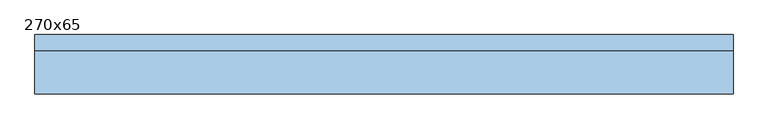
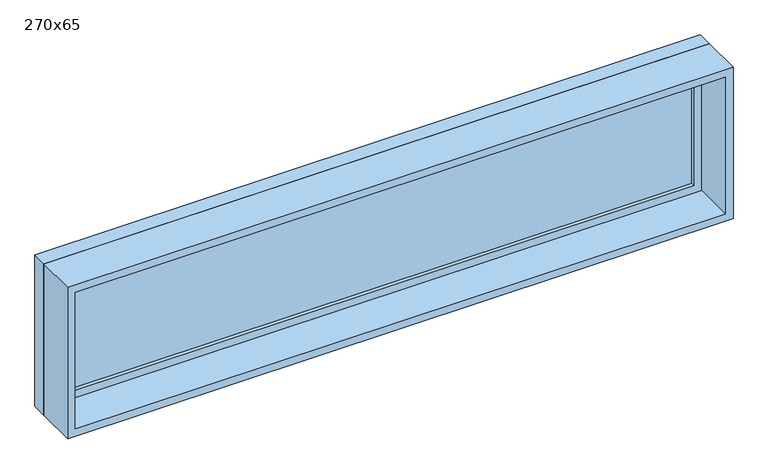
"""IFC4 building model written with IfcOpenShell, lengths in millimetres: window geometry, 270x65."""

from ifc_helpers import new_model, si_unit, frame, origin, place, context, project, spatial, polyline, outline, extrude, source, transform, mapped, element, save


def window_270x65_8af4db78(model_context):
    return source(origin(), model_context, "Body", "SweptSolid", [
        extrude(outline(polyline([(1248.4, 67.375), (-1324.6, 67.375), (-1324.6, 80.075), (1248.4, 80.075), (1248.4, 67.375)])), frame((0.0, 0.0, 977.9), z_axis=(0.0, 0.0, 1.0), x_axis=(1.0, 0.0, 0.0)), (0.0, 0.0, 1.0), 523.0),
        extrude(outline(polyline([(1545.35, -1369.05), (933.45, -1369.05), (933.45, 1292.85), (1545.35, 1292.85), (1545.35, -1369.05)]), holes=[polyline([(1500.9, -1324.6), (1500.9, 1248.4), (977.9, 1248.4), (977.9, -1324.6), (1500.9, -1324.6)])]), frame((0.0, 51.5, 0.0), z_axis=(0.0, 1.0, 0.0), x_axis=(0.0, 0.0, 1.0)), (0.0, 0.0, 1.0), 44.45),
        extrude(outline(polyline([(1564.4, -1388.1), (914.4, -1388.1), (914.4, 1311.9), (1564.4, 1311.9), (1564.4, -1388.1)]), holes=[polyline([(1532.65, -1356.35), (1532.65, 1280.15), (946.15, 1280.15), (946.15, -1356.35), (1532.65, -1356.35)])]), frame((0.0, -115.0, 0.0), z_axis=(0.0, 1.0, 0.0), x_axis=(0.0, 0.0, 1.0)), (0.0, 0.0, 1.0), 166.5),
        extrude(outline(polyline([(1564.4, 1311.9), (1564.4, -1388.1), (914.4, -1388.1), (914.4, 1311.9), (1564.4, 1311.9)]), holes=[polyline([(1545.35, 1292.85), (933.45, 1292.85), (933.45, -1369.05), (1545.35, -1369.05), (1545.35, 1292.85)])]), frame((0.0, 51.5, 0.0), z_axis=(0.0, 1.0, 0.0), x_axis=(0.0, 0.0, 1.0)), (0.0, 0.0, 1.0), 63.5),
    ])


if __name__ == "__main__":
    model = new_model("IFC4")
    model_context = context("Model", 3, world=origin())
    ifc_project = project(units=[si_unit("LENGTHUNIT", "METRE", prefix="MILLI")], contexts=[model_context])
    site = spatial("IfcSite", under=ifc_project)
    building = spatial("IfcBuilding", under=site)
    placement = place(None, origin())
    window_270x65_shape = window_270x65_8af4db78(model_context)
    element("IfcWindow", 1, ObjectType="270x65", at=placement, inside=building, context=model_context, shape_type="MappedRepresentation", body=[
        mapped(window_270x65_shape, transform((0.0, 0.0, 0.0), x_axis=(1.0, 0.0, 0.0), y_axis=(0.0, 1.0, 0.0), z_axis=(0.0, 0.0, 1.0))),
    ])
    save(model, "model.ifc")
